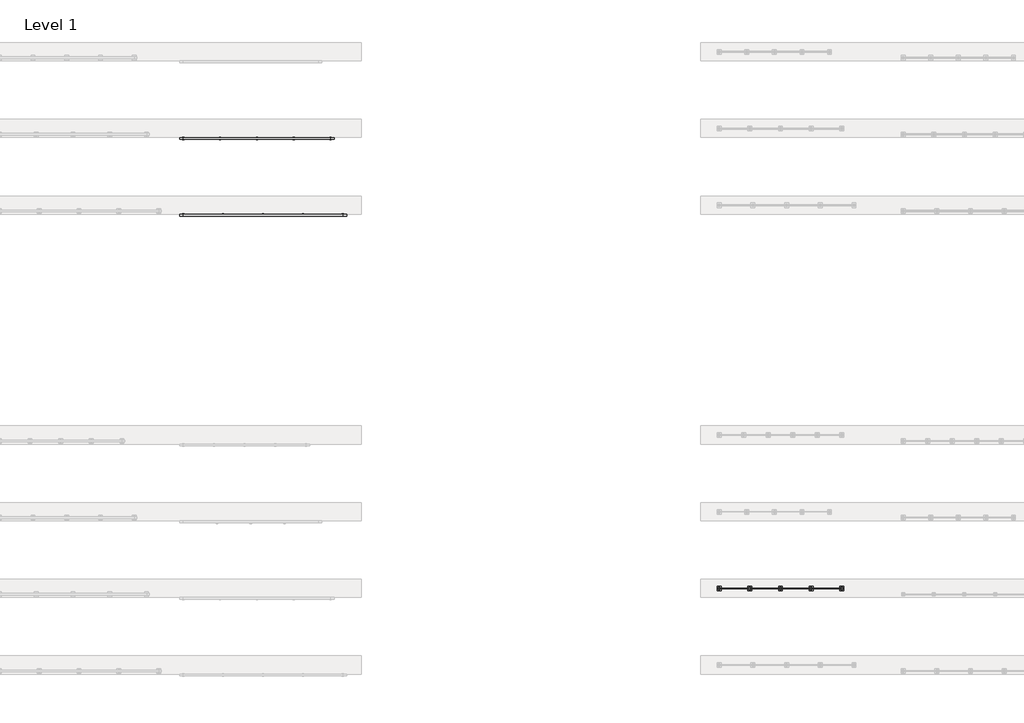
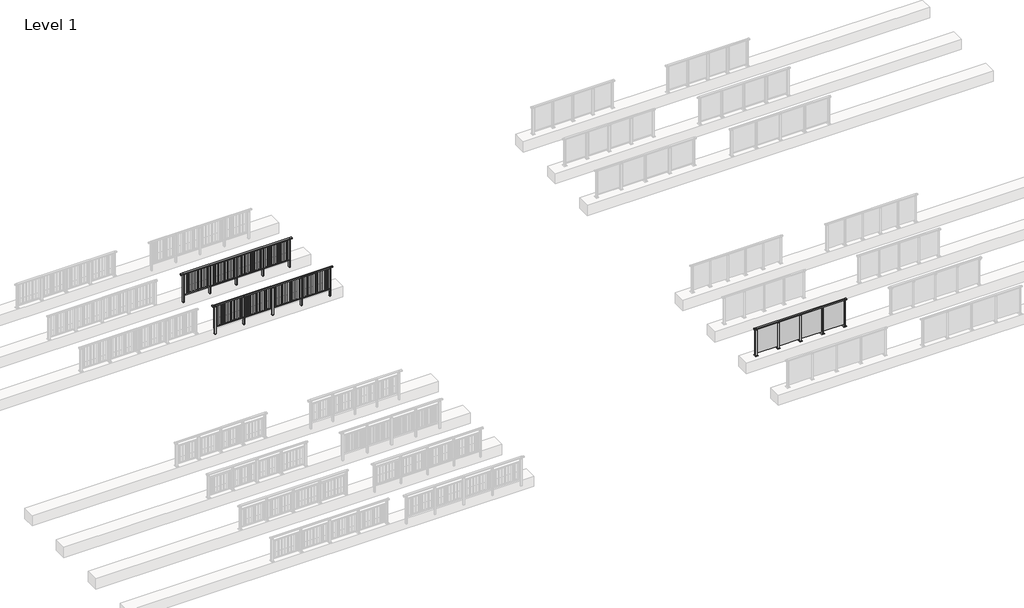
# One storey, part 28 of 38: 3 railings.
"""IFC4 building model written with IfcOpenShell, lengths in millimetres."""

from ifc_helpers import new_model, si_unit, frame, origin, origin_with_axes, place, context, project, spatial, polyline, outline, extrude, faceted_brep, element, save

model = new_model("IFC4")

# Units and contexts
model_context = context("Model", 3, world=origin())
ifc_project = project(units=[si_unit("LENGTHUNIT", "METRE", prefix="MILLI")], contexts=[model_context])

# Site, building, storey
site = spatial("IfcSite", under=ifc_project)
building = spatial("IfcBuilding", under=site)
storey = spatial("IfcBuildingStorey", under=building, Name="Level 1", Elevation=0.0)

# Railings
placement = place(None, origin())
element("IfcRailing", 1, at=placement, inside=storey, context=model_context, shape_type="SolidModel", body=[
    faceted_brep([(29388.6884576, 32720.1846828, 1300.0), (29388.6884576, 32720.1846828, 1252.5), (29388.6884576, 32660.1846828, 1252.5), (29388.6884576, 32660.1846828, 1300.0), (29476.1884576, 32720.1846828, 1300.0), (29476.1884576, 32720.1846828, 1252.5), (29476.1884576, 32660.1846828, 1252.5), (29476.1884576, 32660.1846828, 1300.0), (33476.1884576, 32720.1846828, 1300.0), (33476.1884576, 32720.1846828, 1252.5), (33476.1884576, 32660.1846828, 1252.5), (33476.1884576, 32660.1846828, 1300.0), (33563.6884576, 32720.1846828, 1300.0), (33563.6884576, 32660.1846828, 1300.0), (33563.6884576, 32660.1846828, 1252.5), (33563.6884576, 32720.1846828, 1252.5)], [[[0, 1, 2, 3]], [[1, 0, 4, 5]], [[2, 1, 5, 6]], [[3, 2, 6, 7]], [[0, 3, 7, 4]], [[5, 4, 8, 9]], [[6, 5, 9, 10]], [[7, 6, 10, 11]], [[4, 7, 11, 8]], [[12, 13, 14, 15]], [[9, 8, 12, 15]], [[10, 9, 15, 14]], [[11, 10, 14, 13]], [[8, 11, 13, 12]]]),
    extrude(outline(polyline([(32486.1884576, 32691.9598727), (33466.1884576, 32691.9598727), (33466.1884576, 32679.9598727), (32486.1884576, 32679.9598727), (32486.1884576, 32691.9598727)])), frame((0.0, 0.0, 95.0), z_axis=(0.0, 0.0, 1.0), x_axis=(1.0, 0.0, 0.0)), (0.0, 0.0, 1.0), 1170.0),
    extrude(outline(polyline([(32503.1884576, 32651.1846828), (32449.1884576, 32651.1846828), (32449.1884576, 32729.1846828), (32503.1884576, 32729.1846828), (32503.1884576, 32651.1846828)])), frame((0.0, 0.0, 12.0), z_axis=(0.0, 0.0, 1.0), x_axis=(1.0, 0.0, 0.0)), (0.0, 0.0, 1.0), 1215.0),
    extrude(outline(polyline([(32486.1884576, 32680.1846828), (32466.1884576, 32680.1846828), (32466.1884576, 32700.1846828), (32486.1884576, 32700.1846828), (32486.1884576, 32680.1846828)])), frame((0.0, 0.0, 1235.0), z_axis=(0.0, 0.0, 1.0), x_axis=(1.0, 0.0, 0.0)), (0.0, 0.0, 1.0), 20.0),
    extrude(outline(polyline([(32503.1884576, 32651.1846828), (32449.1884576, 32651.1846828), (32449.1884576, 32729.1846828), (32503.1884576, 32729.1846828), (32503.1884576, 32651.1846828)])), frame((0.0, 0.0, 1227.0), z_axis=(0.0, 0.0, 1.0), x_axis=(1.0, 0.0, 0.0)), (0.0, 0.0, 1.0), 8.0),
    extrude(outline(polyline([(32538.6884576, 32615.1846828), (32413.6884576, 32615.1846828), (32413.6884576, 32765.1846828), (32538.6884576, 32765.1846828), (32538.6884576, 32615.1846828)])), origin_with_axes(), (0.0, 0.0, 1.0), 12.0),
    extrude(outline(polyline([(31486.1884576, 32691.9598727), (32466.1884576, 32691.9598727), (32466.1884576, 32679.9598727), (31486.1884576, 32679.9598727), (31486.1884576, 32691.9598727)])), frame((0.0, 0.0, 95.0), z_axis=(0.0, 0.0, 1.0), x_axis=(1.0, 0.0, 0.0)), (0.0, 0.0, 1.0), 1170.0),
    extrude(outline(polyline([(31503.1884576, 32651.1846828), (31449.1884576, 32651.1846828), (31449.1884576, 32729.1846828), (31503.1884576, 32729.1846828), (31503.1884576, 32651.1846828)])), frame((0.0, 0.0, 12.0), z_axis=(0.0, 0.0, 1.0), x_axis=(1.0, 0.0, 0.0)), (0.0, 0.0, 1.0), 1215.0),
    extrude(outline(polyline([(31486.1884576, 32680.1846828), (31466.1884576, 32680.1846828), (31466.1884576, 32700.1846828), (31486.1884576, 32700.1846828), (31486.1884576, 32680.1846828)])), frame((0.0, 0.0, 1235.0), z_axis=(0.0, 0.0, 1.0), x_axis=(1.0, 0.0, 0.0)), (0.0, 0.0, 1.0), 20.0),
    extrude(outline(polyline([(31503.1884576, 32651.1846828), (31449.1884576, 32651.1846828), (31449.1884576, 32729.1846828), (31503.1884576, 32729.1846828), (31503.1884576, 32651.1846828)])), frame((0.0, 0.0, 1227.0), z_axis=(0.0, 0.0, 1.0), x_axis=(1.0, 0.0, 0.0)), (0.0, 0.0, 1.0), 8.0),
    extrude(outline(polyline([(31538.6884576, 32615.1846828), (31413.6884576, 32615.1846828), (31413.6884576, 32765.1846828), (31538.6884576, 32765.1846828), (31538.6884576, 32615.1846828)])), origin_with_axes(), (0.0, 0.0, 1.0), 12.0),
    extrude(outline(polyline([(30486.1884576, 32691.9598727), (31466.1884576, 32691.9598727), (31466.1884576, 32679.9598727), (30486.1884576, 32679.9598727), (30486.1884576, 32691.9598727)])), frame((0.0, 0.0, 95.0), z_axis=(0.0, 0.0, 1.0), x_axis=(1.0, 0.0, 0.0)), (0.0, 0.0, 1.0), 1170.0),
    extrude(outline(polyline([(30503.1884576, 32651.1846828), (30449.1884576, 32651.1846828), (30449.1884576, 32729.1846828), (30503.1884576, 32729.1846828), (30503.1884576, 32651.1846828)])), frame((0.0, 0.0, 12.0), z_axis=(0.0, 0.0, 1.0), x_axis=(1.0, 0.0, 0.0)), (0.0, 0.0, 1.0), 1215.0),
    extrude(outline(polyline([(30486.1884576, 32680.1846828), (30466.1884576, 32680.1846828), (30466.1884576, 32700.1846828), (30486.1884576, 32700.1846828), (30486.1884576, 32680.1846828)])), frame((0.0, 0.0, 1235.0), z_axis=(0.0, 0.0, 1.0), x_axis=(1.0, 0.0, 0.0)), (0.0, 0.0, 1.0), 20.0),
    extrude(outline(polyline([(30503.1884576, 32651.1846828), (30449.1884576, 32651.1846828), (30449.1884576, 32729.1846828), (30503.1884576, 32729.1846828), (30503.1884576, 32651.1846828)])), frame((0.0, 0.0, 1227.0), z_axis=(0.0, 0.0, 1.0), x_axis=(1.0, 0.0, 0.0)), (0.0, 0.0, 1.0), 8.0),
    extrude(outline(polyline([(30538.6884576, 32615.1846828), (30413.6884576, 32615.1846828), (30413.6884576, 32765.1846828), (30538.6884576, 32765.1846828), (30538.6884576, 32615.1846828)])), origin_with_axes(), (0.0, 0.0, 1.0), 12.0),
    extrude(outline(polyline([(29486.1884576, 32691.9598727), (30466.1884576, 32691.9598727), (30466.1884576, 32679.9598727), (29486.1884576, 32679.9598727), (29486.1884576, 32691.9598727)])), frame((0.0, 0.0, 95.0), z_axis=(0.0, 0.0, 1.0), x_axis=(1.0, 0.0, 0.0)), (0.0, 0.0, 1.0), 1170.0),
    extrude(outline(polyline([(33503.1884576, 32651.1846828), (33449.1884576, 32651.1846828), (33449.1884576, 32729.1846828), (33503.1884576, 32729.1846828), (33503.1884576, 32651.1846828)])), frame((0.0, 0.0, 12.0), z_axis=(0.0, 0.0, 1.0), x_axis=(1.0, 0.0, 0.0)), (0.0, 0.0, 1.0), 1215.0),
    extrude(outline(polyline([(33486.1884576, 32680.1846828), (33466.1884576, 32680.1846828), (33466.1884576, 32700.1846828), (33486.1884576, 32700.1846828), (33486.1884576, 32680.1846828)])), frame((0.0, 0.0, 1235.0), z_axis=(0.0, 0.0, 1.0), x_axis=(1.0, 0.0, 0.0)), (0.0, 0.0, 1.0), 20.0),
    extrude(outline(polyline([(33503.1884576, 32651.1846828), (33449.1884576, 32651.1846828), (33449.1884576, 32729.1846828), (33503.1884576, 32729.1846828), (33503.1884576, 32651.1846828)])), frame((0.0, 0.0, 1227.0), z_axis=(0.0, 0.0, 1.0), x_axis=(1.0, 0.0, 0.0)), (0.0, 0.0, 1.0), 8.0),
    extrude(outline(polyline([(33538.6884576, 32615.1846828), (33413.6884576, 32615.1846828), (33413.6884576, 32765.1846828), (33538.6884576, 32765.1846828), (33538.6884576, 32615.1846828)])), origin_with_axes(), (0.0, 0.0, 1.0), 12.0),
    extrude(outline(polyline([(29503.1884576, 32651.1846828), (29449.1884576, 32651.1846828), (29449.1884576, 32729.1846828), (29503.1884576, 32729.1846828), (29503.1884576, 32651.1846828)])), frame((0.0, 0.0, 12.0), z_axis=(0.0, 0.0, 1.0), x_axis=(1.0, 0.0, 0.0)), (0.0, 0.0, 1.0), 1215.0),
    extrude(outline(polyline([(29486.1884576, 32680.1846828), (29466.1884576, 32680.1846828), (29466.1884576, 32700.1846828), (29486.1884576, 32700.1846828), (29486.1884576, 32680.1846828)])), frame((0.0, 0.0, 1235.0), z_axis=(0.0, 0.0, 1.0), x_axis=(1.0, 0.0, 0.0)), (0.0, 0.0, 1.0), 20.0),
    extrude(outline(polyline([(29503.1884576, 32651.1846828), (29449.1884576, 32651.1846828), (29449.1884576, 32729.1846828), (29503.1884576, 32729.1846828), (29503.1884576, 32651.1846828)])), frame((0.0, 0.0, 1227.0), z_axis=(0.0, 0.0, 1.0), x_axis=(1.0, 0.0, 0.0)), (0.0, 0.0, 1.0), 8.0),
    extrude(outline(polyline([(29538.6884576, 32615.1846828), (29413.6884576, 32615.1846828), (29413.6884576, 32765.1846828), (29538.6884576, 32765.1846828), (29538.6884576, 32615.1846828)])), origin_with_axes(), (0.0, 0.0, 1.0), 12.0),
])
element("IfcRailing", 2, at=placement, inside=storey, context=model_context, shape_type="SolidModel", body=[
    faceted_brep([(12000.0, 44897.6846828, 1102.5), (12000.0, 44897.6846828, 1150.0), (17200.0, 44897.6846828, 1150.0), (17200.0, 44897.6846828, 1102.5), (12000.0, 44837.6846828, 1102.5), (17200.0, 44837.6846828, 1102.5), (12000.0, 44837.6846828, 1150.0), (17200.0, 44837.6846828, 1150.0), (11877.0, 44897.6846828, 1150.0), (11877.0, 44897.6846828, 1102.5), (11877.0, 44837.6846828, 1102.5), (11877.0, 44837.6846828, 1150.0), (17323.0, 44897.6846828, 1150.0), (17323.0, 44837.6846828, 1150.0), (17323.0, 44837.6846828, 1102.5), (17323.0, 44897.6846828, 1102.5)], [[[0, 1, 2, 3]], [[4, 0, 3, 5]], [[6, 4, 5, 7]], [[1, 6, 7, 2]], [[8, 9, 10, 11]], [[9, 8, 1, 0]], [[10, 9, 0, 4]], [[11, 10, 4, 6]], [[8, 11, 6, 1]], [[12, 13, 14, 15]], [[3, 2, 12, 15]], [[5, 3, 15, 14]], [[7, 5, 14, 13]], [[2, 7, 13, 12]]]),
    extrude(outline(polyline([(12000.0, 44849.6846828), (12000.0, 44885.6846828), (17200.0, 44885.6846828), (17200.0, 44849.6846828), (12000.0, 44849.6846828)])), frame((0.0, 0.0, 93.0), z_axis=(0.0, 0.0, 1.0), x_axis=(1.0, 0.0, 0.0)), (0.0, 0.0, 1.0), 32.0),
    extrude(outline(polyline([(17078.5106952, 44859.1846828), (17029.5106952, 44859.1846828), (17029.5106952, 44876.1846828), (17078.5106952, 44876.1846828), (17078.5106952, 44859.1846828)])), frame((0.0, 0.0, 125.0), z_axis=(0.0, 0.0, 1.0), x_axis=(1.0, 0.0, 0.0)), (0.0, 0.0, 1.0), 980.0),
    extrude(outline(polyline([(16934.5076394, 44859.1846828), (16885.5076394, 44859.1846828), (16885.5076394, 44876.1846828), (16934.5076394, 44876.1846828), (16934.5076394, 44859.1846828)])), frame((0.0, 0.0, 125.0), z_axis=(0.0, 0.0, 1.0), x_axis=(1.0, 0.0, 0.0)), (0.0, 0.0, 1.0), 980.0),
    extrude(outline(polyline([(16790.5045837, 44859.1846828), (16741.5045837, 44859.1846828), (16741.5045837, 44876.1846828), (16790.5045837, 44876.1846828), (16790.5045837, 44859.1846828)])), frame((0.0, 0.0, 125.0), z_axis=(0.0, 0.0, 1.0), x_axis=(1.0, 0.0, 0.0)), (0.0, 0.0, 1.0), 980.0),
    extrude(outline(polyline([(16646.5015279, 44859.1846828), (16597.5015279, 44859.1846828), (16597.5015279, 44876.1846828), (16646.5015279, 44876.1846828), (16646.5015279, 44859.1846828)])), frame((0.0, 0.0, 125.0), z_axis=(0.0, 0.0, 1.0), x_axis=(1.0, 0.0, 0.0)), (0.0, 0.0, 1.0), 980.0),
    extrude(outline(polyline([(16502.4984721, 44859.1846828), (16453.4984721, 44859.1846828), (16453.4984721, 44876.1846828), (16502.4984721, 44876.1846828), (16502.4984721, 44859.1846828)])), frame((0.0, 0.0, 125.0), z_axis=(0.0, 0.0, 1.0), x_axis=(1.0, 0.0, 0.0)), (0.0, 0.0, 1.0), 980.0),
    extrude(outline(polyline([(16358.4954163, 44859.1846828), (16309.4954163, 44859.1846828), (16309.4954163, 44876.1846828), (16358.4954163, 44876.1846828), (16358.4954163, 44859.1846828)])), frame((0.0, 0.0, 125.0), z_axis=(0.0, 0.0, 1.0), x_axis=(1.0, 0.0, 0.0)), (0.0, 0.0, 1.0), 980.0),
    extrude(outline(polyline([(16214.4923606, 44859.1846828), (16165.4923606, 44859.1846828), (16165.4923606, 44876.1846828), (16214.4923606, 44876.1846828), (16214.4923606, 44859.1846828)])), frame((0.0, 0.0, 125.0), z_axis=(0.0, 0.0, 1.0), x_axis=(1.0, 0.0, 0.0)), (0.0, 0.0, 1.0), 980.0),
    extrude(outline(polyline([(16070.4893048, 44859.1846828), (16021.4893048, 44859.1846828), (16021.4893048, 44876.1846828), (16070.4893048, 44876.1846828), (16070.4893048, 44859.1846828)])), frame((0.0, 0.0, 125.0), z_axis=(0.0, 0.0, 1.0), x_axis=(1.0, 0.0, 0.0)), (0.0, 0.0, 1.0), 980.0),
    extrude(outline(polyline([(15927.0, 44906.6846828), (15927.0, 44828.6846828), (15873.0, 44828.6846828), (15873.0, 44906.6846828), (15927.0, 44906.6846828)])), frame((0.0, 0.0, 1077.0), z_axis=(0.0, 0.0, 1.0), x_axis=(1.0, 0.0, 0.0)), (0.0, 0.0, 1.0), 8.0),
    extrude(outline(polyline([(15927.0, 44906.6846828), (15927.0, 44828.6846828), (15873.0, 44828.6846828), (15873.0, 44906.6846828), (15927.0, 44906.6846828)])), frame((0.0, 0.0, -212.0), z_axis=(0.0, 0.0, 1.0), x_axis=(1.0, 0.0, 0.0)), (0.0, 0.0, 1.0), 1289.0),
    extrude(outline(polyline([(15910.0, 44877.6846828), (15910.0, 44857.6846828), (15890.0, 44857.6846828), (15890.0, 44877.6846828), (15910.0, 44877.6846828)])), frame((0.0, 0.0, 1085.0), z_axis=(0.0, 0.0, 1.0), x_axis=(1.0, 0.0, 0.0)), (0.0, 0.0, 1.0), 20.0),
    extrude(outline(polyline([(15927.0, 44906.6846828), (15927.0, 44828.6846828), (15873.0, 44828.6846828), (15873.0, 44906.6846828), (15927.0, 44906.6846828)])), frame((0.0, 0.0, -220.0), z_axis=(0.0, 0.0, 1.0), x_axis=(1.0, 0.0, 0.0)), (0.0, 0.0, 1.0), 8.0),
    extrude(outline(polyline([(15778.5106952, 44859.1846828), (15729.5106952, 44859.1846828), (15729.5106952, 44876.1846828), (15778.5106952, 44876.1846828), (15778.5106952, 44859.1846828)])), frame((0.0, 0.0, 125.0), z_axis=(0.0, 0.0, 1.0), x_axis=(1.0, 0.0, 0.0)), (0.0, 0.0, 1.0), 980.0),
    extrude(outline(polyline([(15634.5076394, 44859.1846828), (15585.5076394, 44859.1846828), (15585.5076394, 44876.1846828), (15634.5076394, 44876.1846828), (15634.5076394, 44859.1846828)])), frame((0.0, 0.0, 125.0), z_axis=(0.0, 0.0, 1.0), x_axis=(1.0, 0.0, 0.0)), (0.0, 0.0, 1.0), 980.0),
    extrude(outline(polyline([(15490.5045837, 44859.1846828), (15441.5045837, 44859.1846828), (15441.5045837, 44876.1846828), (15490.5045837, 44876.1846828), (15490.5045837, 44859.1846828)])), frame((0.0, 0.0, 125.0), z_axis=(0.0, 0.0, 1.0), x_axis=(1.0, 0.0, 0.0)), (0.0, 0.0, 1.0), 980.0),
    extrude(outline(polyline([(15346.5015279, 44859.1846828), (15297.5015279, 44859.1846828), (15297.5015279, 44876.1846828), (15346.5015279, 44876.1846828), (15346.5015279, 44859.1846828)])), frame((0.0, 0.0, 125.0), z_axis=(0.0, 0.0, 1.0), x_axis=(1.0, 0.0, 0.0)), (0.0, 0.0, 1.0), 980.0),
    extrude(outline(polyline([(15202.4984721, 44859.1846828), (15153.4984721, 44859.1846828), (15153.4984721, 44876.1846828), (15202.4984721, 44876.1846828), (15202.4984721, 44859.1846828)])), frame((0.0, 0.0, 125.0), z_axis=(0.0, 0.0, 1.0), x_axis=(1.0, 0.0, 0.0)), (0.0, 0.0, 1.0), 980.0),
    extrude(outline(polyline([(15058.4954163, 44859.1846828), (15009.4954163, 44859.1846828), (15009.4954163, 44876.1846828), (15058.4954163, 44876.1846828), (15058.4954163, 44859.1846828)])), frame((0.0, 0.0, 125.0), z_axis=(0.0, 0.0, 1.0), x_axis=(1.0, 0.0, 0.0)), (0.0, 0.0, 1.0), 980.0),
    extrude(outline(polyline([(14914.4923606, 44859.1846828), (14865.4923606, 44859.1846828), (14865.4923606, 44876.1846828), (14914.4923606, 44876.1846828), (14914.4923606, 44859.1846828)])), frame((0.0, 0.0, 125.0), z_axis=(0.0, 0.0, 1.0), x_axis=(1.0, 0.0, 0.0)), (0.0, 0.0, 1.0), 980.0),
    extrude(outline(polyline([(14770.4893048, 44859.1846828), (14721.4893048, 44859.1846828), (14721.4893048, 44876.1846828), (14770.4893048, 44876.1846828), (14770.4893048, 44859.1846828)])), frame((0.0, 0.0, 125.0), z_axis=(0.0, 0.0, 1.0), x_axis=(1.0, 0.0, 0.0)), (0.0, 0.0, 1.0), 980.0),
    extrude(outline(polyline([(14627.0, 44906.6846828), (14627.0, 44828.6846828), (14573.0, 44828.6846828), (14573.0, 44906.6846828), (14627.0, 44906.6846828)])), frame((0.0, 0.0, 1077.0), z_axis=(0.0, 0.0, 1.0), x_axis=(1.0, 0.0, 0.0)), (0.0, 0.0, 1.0), 8.0),
    extrude(outline(polyline([(14627.0, 44906.6846828), (14627.0, 44828.6846828), (14573.0, 44828.6846828), (14573.0, 44906.6846828), (14627.0, 44906.6846828)])), frame((0.0, 0.0, -212.0), z_axis=(0.0, 0.0, 1.0), x_axis=(1.0, 0.0, 0.0)), (0.0, 0.0, 1.0), 1289.0),
    extrude(outline(polyline([(14610.0, 44877.6846828), (14610.0, 44857.6846828), (14590.0, 44857.6846828), (14590.0, 44877.6846828), (14610.0, 44877.6846828)])), frame((0.0, 0.0, 1085.0), z_axis=(0.0, 0.0, 1.0), x_axis=(1.0, 0.0, 0.0)), (0.0, 0.0, 1.0), 20.0),
    extrude(outline(polyline([(14627.0, 44906.6846828), (14627.0, 44828.6846828), (14573.0, 44828.6846828), (14573.0, 44906.6846828), (14627.0, 44906.6846828)])), frame((0.0, 0.0, -220.0), z_axis=(0.0, 0.0, 1.0), x_axis=(1.0, 0.0, 0.0)), (0.0, 0.0, 1.0), 8.0),
    extrude(outline(polyline([(14478.5106952, 44859.1846828), (14429.5106952, 44859.1846828), (14429.5106952, 44876.1846828), (14478.5106952, 44876.1846828), (14478.5106952, 44859.1846828)])), frame((0.0, 0.0, 125.0), z_axis=(0.0, 0.0, 1.0), x_axis=(1.0, 0.0, 0.0)), (0.0, 0.0, 1.0), 980.0),
    extrude(outline(polyline([(14334.5076394, 44859.1846828), (14285.5076394, 44859.1846828), (14285.5076394, 44876.1846828), (14334.5076394, 44876.1846828), (14334.5076394, 44859.1846828)])), frame((0.0, 0.0, 125.0), z_axis=(0.0, 0.0, 1.0), x_axis=(1.0, 0.0, 0.0)), (0.0, 0.0, 1.0), 980.0),
    extrude(outline(polyline([(14190.5045837, 44859.1846828), (14141.5045837, 44859.1846828), (14141.5045837, 44876.1846828), (14190.5045837, 44876.1846828), (14190.5045837, 44859.1846828)])), frame((0.0, 0.0, 125.0), z_axis=(0.0, 0.0, 1.0), x_axis=(1.0, 0.0, 0.0)), (0.0, 0.0, 1.0), 980.0),
    extrude(outline(polyline([(14046.5015279, 44859.1846828), (13997.5015279, 44859.1846828), (13997.5015279, 44876.1846828), (14046.5015279, 44876.1846828), (14046.5015279, 44859.1846828)])), frame((0.0, 0.0, 125.0), z_axis=(0.0, 0.0, 1.0), x_axis=(1.0, 0.0, 0.0)), (0.0, 0.0, 1.0), 980.0),
    extrude(outline(polyline([(13902.4984721, 44859.1846828), (13853.4984721, 44859.1846828), (13853.4984721, 44876.1846828), (13902.4984721, 44876.1846828), (13902.4984721, 44859.1846828)])), frame((0.0, 0.0, 125.0), z_axis=(0.0, 0.0, 1.0), x_axis=(1.0, 0.0, 0.0)), (0.0, 0.0, 1.0), 980.0),
    extrude(outline(polyline([(13758.4954163, 44859.1846828), (13709.4954163, 44859.1846828), (13709.4954163, 44876.1846828), (13758.4954163, 44876.1846828), (13758.4954163, 44859.1846828)])), frame((0.0, 0.0, 125.0), z_axis=(0.0, 0.0, 1.0), x_axis=(1.0, 0.0, 0.0)), (0.0, 0.0, 1.0), 980.0),
    extrude(outline(polyline([(13614.4923606, 44859.1846828), (13565.4923606, 44859.1846828), (13565.4923606, 44876.1846828), (13614.4923606, 44876.1846828), (13614.4923606, 44859.1846828)])), frame((0.0, 0.0, 125.0), z_axis=(0.0, 0.0, 1.0), x_axis=(1.0, 0.0, 0.0)), (0.0, 0.0, 1.0), 980.0),
    extrude(outline(polyline([(13470.4893048, 44859.1846828), (13421.4893048, 44859.1846828), (13421.4893048, 44876.1846828), (13470.4893048, 44876.1846828), (13470.4893048, 44859.1846828)])), frame((0.0, 0.0, 125.0), z_axis=(0.0, 0.0, 1.0), x_axis=(1.0, 0.0, 0.0)), (0.0, 0.0, 1.0), 980.0),
    extrude(outline(polyline([(13327.0, 44906.6846828), (13327.0, 44828.6846828), (13273.0, 44828.6846828), (13273.0, 44906.6846828), (13327.0, 44906.6846828)])), frame((0.0, 0.0, 1077.0), z_axis=(0.0, 0.0, 1.0), x_axis=(1.0, 0.0, 0.0)), (0.0, 0.0, 1.0), 8.0),
    extrude(outline(polyline([(13327.0, 44906.6846828), (13327.0, 44828.6846828), (13273.0, 44828.6846828), (13273.0, 44906.6846828), (13327.0, 44906.6846828)])), frame((0.0, 0.0, -212.0), z_axis=(0.0, 0.0, 1.0), x_axis=(1.0, 0.0, 0.0)), (0.0, 0.0, 1.0), 1289.0),
    extrude(outline(polyline([(13310.0, 44877.6846828), (13310.0, 44857.6846828), (13290.0, 44857.6846828), (13290.0, 44877.6846828), (13310.0, 44877.6846828)])), frame((0.0, 0.0, 1085.0), z_axis=(0.0, 0.0, 1.0), x_axis=(1.0, 0.0, 0.0)), (0.0, 0.0, 1.0), 20.0),
    extrude(outline(polyline([(13327.0, 44906.6846828), (13327.0, 44828.6846828), (13273.0, 44828.6846828), (13273.0, 44906.6846828), (13327.0, 44906.6846828)])), frame((0.0, 0.0, -220.0), z_axis=(0.0, 0.0, 1.0), x_axis=(1.0, 0.0, 0.0)), (0.0, 0.0, 1.0), 8.0),
    extrude(outline(polyline([(13178.5106952, 44859.1846828), (13129.5106952, 44859.1846828), (13129.5106952, 44876.1846828), (13178.5106952, 44876.1846828), (13178.5106952, 44859.1846828)])), frame((0.0, 0.0, 125.0), z_axis=(0.0, 0.0, 1.0), x_axis=(1.0, 0.0, 0.0)), (0.0, 0.0, 1.0), 980.0),
    extrude(outline(polyline([(13034.5076394, 44859.1846828), (12985.5076394, 44859.1846828), (12985.5076394, 44876.1846828), (13034.5076394, 44876.1846828), (13034.5076394, 44859.1846828)])), frame((0.0, 0.0, 125.0), z_axis=(0.0, 0.0, 1.0), x_axis=(1.0, 0.0, 0.0)), (0.0, 0.0, 1.0), 980.0),
    extrude(outline(polyline([(12890.5045837, 44859.1846828), (12841.5045837, 44859.1846828), (12841.5045837, 44876.1846828), (12890.5045837, 44876.1846828), (12890.5045837, 44859.1846828)])), frame((0.0, 0.0, 125.0), z_axis=(0.0, 0.0, 1.0), x_axis=(1.0, 0.0, 0.0)), (0.0, 0.0, 1.0), 980.0),
    extrude(outline(polyline([(12746.5015279, 44859.1846828), (12697.5015279, 44859.1846828), (12697.5015279, 44876.1846828), (12746.5015279, 44876.1846828), (12746.5015279, 44859.1846828)])), frame((0.0, 0.0, 125.0), z_axis=(0.0, 0.0, 1.0), x_axis=(1.0, 0.0, 0.0)), (0.0, 0.0, 1.0), 980.0),
    extrude(outline(polyline([(12602.4984721, 44859.1846828), (12553.4984721, 44859.1846828), (12553.4984721, 44876.1846828), (12602.4984721, 44876.1846828), (12602.4984721, 44859.1846828)])), frame((0.0, 0.0, 125.0), z_axis=(0.0, 0.0, 1.0), x_axis=(1.0, 0.0, 0.0)), (0.0, 0.0, 1.0), 980.0),
    extrude(outline(polyline([(12458.4954163, 44859.1846828), (12409.4954163, 44859.1846828), (12409.4954163, 44876.1846828), (12458.4954163, 44876.1846828), (12458.4954163, 44859.1846828)])), frame((0.0, 0.0, 125.0), z_axis=(0.0, 0.0, 1.0), x_axis=(1.0, 0.0, 0.0)), (0.0, 0.0, 1.0), 980.0),
    extrude(outline(polyline([(12314.4923606, 44859.1846828), (12265.4923606, 44859.1846828), (12265.4923606, 44876.1846828), (12314.4923606, 44876.1846828), (12314.4923606, 44859.1846828)])), frame((0.0, 0.0, 125.0), z_axis=(0.0, 0.0, 1.0), x_axis=(1.0, 0.0, 0.0)), (0.0, 0.0, 1.0), 980.0),
    extrude(outline(polyline([(12170.4893048, 44859.1846828), (12121.4893048, 44859.1846828), (12121.4893048, 44876.1846828), (12170.4893048, 44876.1846828), (12170.4893048, 44859.1846828)])), frame((0.0, 0.0, 125.0), z_axis=(0.0, 0.0, 1.0), x_axis=(1.0, 0.0, 0.0)), (0.0, 0.0, 1.0), 980.0),
    extrude(outline(polyline([(17227.0, 44906.6846828), (17227.0, 44828.6846828), (17173.0, 44828.6846828), (17173.0, 44906.6846828), (17227.0, 44906.6846828)])), frame((0.0, 0.0, 1077.0), z_axis=(0.0, 0.0, 1.0), x_axis=(1.0, 0.0, 0.0)), (0.0, 0.0, 1.0), 8.0),
    extrude(outline(polyline([(17227.0, 44906.6846828), (17227.0, 44828.6846828), (17173.0, 44828.6846828), (17173.0, 44906.6846828), (17227.0, 44906.6846828)])), frame((0.0, 0.0, -212.0), z_axis=(0.0, 0.0, 1.0), x_axis=(1.0, 0.0, 0.0)), (0.0, 0.0, 1.0), 1289.0),
    extrude(outline(polyline([(17210.0, 44877.6846828), (17210.0, 44857.6846828), (17190.0, 44857.6846828), (17190.0, 44877.6846828), (17210.0, 44877.6846828)])), frame((0.0, 0.0, 1085.0), z_axis=(0.0, 0.0, 1.0), x_axis=(1.0, 0.0, 0.0)), (0.0, 0.0, 1.0), 20.0),
    extrude(outline(polyline([(17227.0, 44906.6846828), (17227.0, 44828.6846828), (17173.0, 44828.6846828), (17173.0, 44906.6846828), (17227.0, 44906.6846828)])), frame((0.0, 0.0, -220.0), z_axis=(0.0, 0.0, 1.0), x_axis=(1.0, 0.0, 0.0)), (0.0, 0.0, 1.0), 8.0),
    extrude(outline(polyline([(12027.0, 44906.6846828), (12027.0, 44828.6846828), (11973.0, 44828.6846828), (11973.0, 44906.6846828), (12027.0, 44906.6846828)])), frame((0.0, 0.0, 1077.0), z_axis=(0.0, 0.0, 1.0), x_axis=(1.0, 0.0, 0.0)), (0.0, 0.0, 1.0), 8.0),
    extrude(outline(polyline([(12027.0, 44906.6846828), (12027.0, 44828.6846828), (11973.0, 44828.6846828), (11973.0, 44906.6846828), (12027.0, 44906.6846828)])), frame((0.0, 0.0, -212.0), z_axis=(0.0, 0.0, 1.0), x_axis=(1.0, 0.0, 0.0)), (0.0, 0.0, 1.0), 1289.0),
    extrude(outline(polyline([(12010.0, 44877.6846828), (12010.0, 44857.6846828), (11990.0, 44857.6846828), (11990.0, 44877.6846828), (12010.0, 44877.6846828)])), frame((0.0, 0.0, 1085.0), z_axis=(0.0, 0.0, 1.0), x_axis=(1.0, 0.0, 0.0)), (0.0, 0.0, 1.0), 20.0),
    extrude(outline(polyline([(12027.0, 44906.6846828), (12027.0, 44828.6846828), (11973.0, 44828.6846828), (11973.0, 44906.6846828), (12027.0, 44906.6846828)])), frame((0.0, 0.0, -220.0), z_axis=(0.0, 0.0, 1.0), x_axis=(1.0, 0.0, 0.0)), (0.0, 0.0, 1.0), 8.0),
])
element("IfcRailing", 3, at=placement, inside=storey, context=model_context, shape_type="SolidModel", body=[
    faceted_brep([(12000.0, 47397.6846828, 1102.5), (12000.0, 47397.6846828, 1150.0), (16800.0, 47397.6846828, 1150.0), (16800.0, 47397.6846828, 1102.5), (12000.0, 47337.6846828, 1102.5), (16800.0, 47337.6846828, 1102.5), (12000.0, 47337.6846828, 1150.0), (16800.0, 47337.6846828, 1150.0), (11877.0, 47397.6846828, 1150.0), (11877.0, 47397.6846828, 1102.5), (11877.0, 47337.6846828, 1102.5), (11877.0, 47337.6846828, 1150.0), (16923.0, 47397.6846828, 1150.0), (16923.0, 47337.6846828, 1150.0), (16923.0, 47337.6846828, 1102.5), (16923.0, 47397.6846828, 1102.5)], [[[0, 1, 2, 3]], [[4, 0, 3, 5]], [[6, 4, 5, 7]], [[1, 6, 7, 2]], [[8, 9, 10, 11]], [[9, 8, 1, 0]], [[10, 9, 0, 4]], [[11, 10, 4, 6]], [[8, 11, 6, 1]], [[12, 13, 14, 15]], [[3, 2, 12, 15]], [[5, 3, 15, 14]], [[7, 5, 14, 13]], [[2, 7, 13, 12]]]),
    extrude(outline(polyline([(12000.0, 47349.6846828), (12000.0, 47385.6846828), (16800.0, 47385.6846828), (16800.0, 47349.6846828), (12000.0, 47349.6846828)])), frame((0.0, 0.0, 93.0), z_axis=(0.0, 0.0, 1.0), x_axis=(1.0, 0.0, 0.0)), (0.0, 0.0, 1.0), 32.0),
    extrude(outline(polyline([(16725.7345679, 47359.1846828), (16676.7345679, 47359.1846828), (16676.7345679, 47376.1846828), (16725.7345679, 47376.1846828), (16725.7345679, 47359.1846828)])), frame((0.0, 0.0, 125.0), z_axis=(0.0, 0.0, 1.0), x_axis=(1.0, 0.0, 0.0)), (0.0, 0.0, 1.0), 980.0),
    extrude(outline(polyline([(16582.5246914, 47359.1846828), (16533.5246914, 47359.1846828), (16533.5246914, 47376.1846828), (16582.5246914, 47376.1846828), (16582.5246914, 47359.1846828)])), frame((0.0, 0.0, 125.0), z_axis=(0.0, 0.0, 1.0), x_axis=(1.0, 0.0, 0.0)), (0.0, 0.0, 1.0), 980.0),
    extrude(outline(polyline([(16439.3148148, 47359.1846828), (16390.3148148, 47359.1846828), (16390.3148148, 47376.1846828), (16439.3148148, 47376.1846828), (16439.3148148, 47359.1846828)])), frame((0.0, 0.0, 125.0), z_axis=(0.0, 0.0, 1.0), x_axis=(1.0, 0.0, 0.0)), (0.0, 0.0, 1.0), 980.0),
    extrude(outline(polyline([(16296.1049383, 47359.1846828), (16247.1049383, 47359.1846828), (16247.1049383, 47376.1846828), (16296.1049383, 47376.1846828), (16296.1049383, 47359.1846828)])), frame((0.0, 0.0, 125.0), z_axis=(0.0, 0.0, 1.0), x_axis=(1.0, 0.0, 0.0)), (0.0, 0.0, 1.0), 980.0),
    extrude(outline(polyline([(16152.8950617, 47359.1846828), (16103.8950617, 47359.1846828), (16103.8950617, 47376.1846828), (16152.8950617, 47376.1846828), (16152.8950617, 47359.1846828)])), frame((0.0, 0.0, 125.0), z_axis=(0.0, 0.0, 1.0), x_axis=(1.0, 0.0, 0.0)), (0.0, 0.0, 1.0), 980.0),
    extrude(outline(polyline([(16009.6851852, 47359.1846828), (15960.6851852, 47359.1846828), (15960.6851852, 47376.1846828), (16009.6851852, 47376.1846828), (16009.6851852, 47359.1846828)])), frame((0.0, 0.0, 125.0), z_axis=(0.0, 0.0, 1.0), x_axis=(1.0, 0.0, 0.0)), (0.0, 0.0, 1.0), 980.0),
    extrude(outline(polyline([(15866.4753086, 47359.1846828), (15817.4753086, 47359.1846828), (15817.4753086, 47376.1846828), (15866.4753086, 47376.1846828), (15866.4753086, 47359.1846828)])), frame((0.0, 0.0, 125.0), z_axis=(0.0, 0.0, 1.0), x_axis=(1.0, 0.0, 0.0)), (0.0, 0.0, 1.0), 980.0),
    extrude(outline(polyline([(15723.2654321, 47359.1846828), (15674.2654321, 47359.1846828), (15674.2654321, 47376.1846828), (15723.2654321, 47376.1846828), (15723.2654321, 47359.1846828)])), frame((0.0, 0.0, 125.0), z_axis=(0.0, 0.0, 1.0), x_axis=(1.0, 0.0, 0.0)), (0.0, 0.0, 1.0), 980.0),
    extrude(outline(polyline([(15627.0, 47406.6846828), (15627.0, 47328.6846828), (15573.0, 47328.6846828), (15573.0, 47406.6846828), (15627.0, 47406.6846828)])), frame((0.0, 0.0, 1077.0), z_axis=(0.0, 0.0, 1.0), x_axis=(1.0, 0.0, 0.0)), (0.0, 0.0, 1.0), 8.0),
    extrude(outline(polyline([(15627.0, 47406.6846828), (15627.0, 47328.6846828), (15573.0, 47328.6846828), (15573.0, 47406.6846828), (15627.0, 47406.6846828)])), frame((0.0, 0.0, -212.0), z_axis=(0.0, 0.0, 1.0), x_axis=(1.0, 0.0, 0.0)), (0.0, 0.0, 1.0), 1289.0),
    extrude(outline(polyline([(15610.0, 47377.6846828), (15610.0, 47357.6846828), (15590.0, 47357.6846828), (15590.0, 47377.6846828), (15610.0, 47377.6846828)])), frame((0.0, 0.0, 1085.0), z_axis=(0.0, 0.0, 1.0), x_axis=(1.0, 0.0, 0.0)), (0.0, 0.0, 1.0), 20.0),
    extrude(outline(polyline([(15627.0, 47406.6846828), (15627.0, 47328.6846828), (15573.0, 47328.6846828), (15573.0, 47406.6846828), (15627.0, 47406.6846828)])), frame((0.0, 0.0, -220.0), z_axis=(0.0, 0.0, 1.0), x_axis=(1.0, 0.0, 0.0)), (0.0, 0.0, 1.0), 8.0),
    extrude(outline(polyline([(15525.7345679, 47359.1846828), (15476.7345679, 47359.1846828), (15476.7345679, 47376.1846828), (15525.7345679, 47376.1846828), (15525.7345679, 47359.1846828)])), frame((0.0, 0.0, 125.0), z_axis=(0.0, 0.0, 1.0), x_axis=(1.0, 0.0, 0.0)), (0.0, 0.0, 1.0), 980.0),
    extrude(outline(polyline([(15382.5246914, 47359.1846828), (15333.5246914, 47359.1846828), (15333.5246914, 47376.1846828), (15382.5246914, 47376.1846828), (15382.5246914, 47359.1846828)])), frame((0.0, 0.0, 125.0), z_axis=(0.0, 0.0, 1.0), x_axis=(1.0, 0.0, 0.0)), (0.0, 0.0, 1.0), 980.0),
    extrude(outline(polyline([(15239.3148148, 47359.1846828), (15190.3148148, 47359.1846828), (15190.3148148, 47376.1846828), (15239.3148148, 47376.1846828), (15239.3148148, 47359.1846828)])), frame((0.0, 0.0, 125.0), z_axis=(0.0, 0.0, 1.0), x_axis=(1.0, 0.0, 0.0)), (0.0, 0.0, 1.0), 980.0),
    extrude(outline(polyline([(15096.1049383, 47359.1846828), (15047.1049383, 47359.1846828), (15047.1049383, 47376.1846828), (15096.1049383, 47376.1846828), (15096.1049383, 47359.1846828)])), frame((0.0, 0.0, 125.0), z_axis=(0.0, 0.0, 1.0), x_axis=(1.0, 0.0, 0.0)), (0.0, 0.0, 1.0), 980.0),
    extrude(outline(polyline([(14952.8950617, 47359.1846828), (14903.8950617, 47359.1846828), (14903.8950617, 47376.1846828), (14952.8950617, 47376.1846828), (14952.8950617, 47359.1846828)])), frame((0.0, 0.0, 125.0), z_axis=(0.0, 0.0, 1.0), x_axis=(1.0, 0.0, 0.0)), (0.0, 0.0, 1.0), 980.0),
    extrude(outline(polyline([(14809.6851852, 47359.1846828), (14760.6851852, 47359.1846828), (14760.6851852, 47376.1846828), (14809.6851852, 47376.1846828), (14809.6851852, 47359.1846828)])), frame((0.0, 0.0, 125.0), z_axis=(0.0, 0.0, 1.0), x_axis=(1.0, 0.0, 0.0)), (0.0, 0.0, 1.0), 980.0),
    extrude(outline(polyline([(14666.4753086, 47359.1846828), (14617.4753086, 47359.1846828), (14617.4753086, 47376.1846828), (14666.4753086, 47376.1846828), (14666.4753086, 47359.1846828)])), frame((0.0, 0.0, 125.0), z_axis=(0.0, 0.0, 1.0), x_axis=(1.0, 0.0, 0.0)), (0.0, 0.0, 1.0), 980.0),
    extrude(outline(polyline([(14523.2654321, 47359.1846828), (14474.2654321, 47359.1846828), (14474.2654321, 47376.1846828), (14523.2654321, 47376.1846828), (14523.2654321, 47359.1846828)])), frame((0.0, 0.0, 125.0), z_axis=(0.0, 0.0, 1.0), x_axis=(1.0, 0.0, 0.0)), (0.0, 0.0, 1.0), 980.0),
    extrude(outline(polyline([(14427.0, 47406.6846828), (14427.0, 47328.6846828), (14373.0, 47328.6846828), (14373.0, 47406.6846828), (14427.0, 47406.6846828)])), frame((0.0, 0.0, 1077.0), z_axis=(0.0, 0.0, 1.0), x_axis=(1.0, 0.0, 0.0)), (0.0, 0.0, 1.0), 8.0),
    extrude(outline(polyline([(14427.0, 47406.6846828), (14427.0, 47328.6846828), (14373.0, 47328.6846828), (14373.0, 47406.6846828), (14427.0, 47406.6846828)])), frame((0.0, 0.0, -212.0), z_axis=(0.0, 0.0, 1.0), x_axis=(1.0, 0.0, 0.0)), (0.0, 0.0, 1.0), 1289.0),
    extrude(outline(polyline([(14410.0, 47377.6846828), (14410.0, 47357.6846828), (14390.0, 47357.6846828), (14390.0, 47377.6846828), (14410.0, 47377.6846828)])), frame((0.0, 0.0, 1085.0), z_axis=(0.0, 0.0, 1.0), x_axis=(1.0, 0.0, 0.0)), (0.0, 0.0, 1.0), 20.0),
    extrude(outline(polyline([(14427.0, 47406.6846828), (14427.0, 47328.6846828), (14373.0, 47328.6846828), (14373.0, 47406.6846828), (14427.0, 47406.6846828)])), frame((0.0, 0.0, -220.0), z_axis=(0.0, 0.0, 1.0), x_axis=(1.0, 0.0, 0.0)), (0.0, 0.0, 1.0), 8.0),
    extrude(outline(polyline([(14325.7345679, 47359.1846828), (14276.7345679, 47359.1846828), (14276.7345679, 47376.1846828), (14325.7345679, 47376.1846828), (14325.7345679, 47359.1846828)])), frame((0.0, 0.0, 125.0), z_axis=(0.0, 0.0, 1.0), x_axis=(1.0, 0.0, 0.0)), (0.0, 0.0, 1.0), 980.0),
    extrude(outline(polyline([(14182.5246914, 47359.1846828), (14133.5246914, 47359.1846828), (14133.5246914, 47376.1846828), (14182.5246914, 47376.1846828), (14182.5246914, 47359.1846828)])), frame((0.0, 0.0, 125.0), z_axis=(0.0, 0.0, 1.0), x_axis=(1.0, 0.0, 0.0)), (0.0, 0.0, 1.0), 980.0),
    extrude(outline(polyline([(14039.3148148, 47359.1846828), (13990.3148148, 47359.1846828), (13990.3148148, 47376.1846828), (14039.3148148, 47376.1846828), (14039.3148148, 47359.1846828)])), frame((0.0, 0.0, 125.0), z_axis=(0.0, 0.0, 1.0), x_axis=(1.0, 0.0, 0.0)), (0.0, 0.0, 1.0), 980.0),
    extrude(outline(polyline([(13896.1049383, 47359.1846828), (13847.1049383, 47359.1846828), (13847.1049383, 47376.1846828), (13896.1049383, 47376.1846828), (13896.1049383, 47359.1846828)])), frame((0.0, 0.0, 125.0), z_axis=(0.0, 0.0, 1.0), x_axis=(1.0, 0.0, 0.0)), (0.0, 0.0, 1.0), 980.0),
    extrude(outline(polyline([(13752.8950617, 47359.1846828), (13703.8950617, 47359.1846828), (13703.8950617, 47376.1846828), (13752.8950617, 47376.1846828), (13752.8950617, 47359.1846828)])), frame((0.0, 0.0, 125.0), z_axis=(0.0, 0.0, 1.0), x_axis=(1.0, 0.0, 0.0)), (0.0, 0.0, 1.0), 980.0),
    extrude(outline(polyline([(13609.6851852, 47359.1846828), (13560.6851852, 47359.1846828), (13560.6851852, 47376.1846828), (13609.6851852, 47376.1846828), (13609.6851852, 47359.1846828)])), frame((0.0, 0.0, 125.0), z_axis=(0.0, 0.0, 1.0), x_axis=(1.0, 0.0, 0.0)), (0.0, 0.0, 1.0), 980.0),
    extrude(outline(polyline([(13466.4753086, 47359.1846828), (13417.4753086, 47359.1846828), (13417.4753086, 47376.1846828), (13466.4753086, 47376.1846828), (13466.4753086, 47359.1846828)])), frame((0.0, 0.0, 125.0), z_axis=(0.0, 0.0, 1.0), x_axis=(1.0, 0.0, 0.0)), (0.0, 0.0, 1.0), 980.0),
    extrude(outline(polyline([(13323.2654321, 47359.1846828), (13274.2654321, 47359.1846828), (13274.2654321, 47376.1846828), (13323.2654321, 47376.1846828), (13323.2654321, 47359.1846828)])), frame((0.0, 0.0, 125.0), z_axis=(0.0, 0.0, 1.0), x_axis=(1.0, 0.0, 0.0)), (0.0, 0.0, 1.0), 980.0),
    extrude(outline(polyline([(13227.0, 47406.6846828), (13227.0, 47328.6846828), (13173.0, 47328.6846828), (13173.0, 47406.6846828), (13227.0, 47406.6846828)])), frame((0.0, 0.0, 1077.0), z_axis=(0.0, 0.0, 1.0), x_axis=(1.0, 0.0, 0.0)), (0.0, 0.0, 1.0), 8.0),
    extrude(outline(polyline([(13227.0, 47406.6846828), (13227.0, 47328.6846828), (13173.0, 47328.6846828), (13173.0, 47406.6846828), (13227.0, 47406.6846828)])), frame((0.0, 0.0, -212.0), z_axis=(0.0, 0.0, 1.0), x_axis=(1.0, 0.0, 0.0)), (0.0, 0.0, 1.0), 1289.0),
    extrude(outline(polyline([(13210.0, 47377.6846828), (13210.0, 47357.6846828), (13190.0, 47357.6846828), (13190.0, 47377.6846828), (13210.0, 47377.6846828)])), frame((0.0, 0.0, 1085.0), z_axis=(0.0, 0.0, 1.0), x_axis=(1.0, 0.0, 0.0)), (0.0, 0.0, 1.0), 20.0),
    extrude(outline(polyline([(13227.0, 47406.6846828), (13227.0, 47328.6846828), (13173.0, 47328.6846828), (13173.0, 47406.6846828), (13227.0, 47406.6846828)])), frame((0.0, 0.0, -220.0), z_axis=(0.0, 0.0, 1.0), x_axis=(1.0, 0.0, 0.0)), (0.0, 0.0, 1.0), 8.0),
    extrude(outline(polyline([(13125.7345679, 47359.1846828), (13076.7345679, 47359.1846828), (13076.7345679, 47376.1846828), (13125.7345679, 47376.1846828), (13125.7345679, 47359.1846828)])), frame((0.0, 0.0, 125.0), z_axis=(0.0, 0.0, 1.0), x_axis=(1.0, 0.0, 0.0)), (0.0, 0.0, 1.0), 980.0),
    extrude(outline(polyline([(12982.5246914, 47359.1846828), (12933.5246914, 47359.1846828), (12933.5246914, 47376.1846828), (12982.5246914, 47376.1846828), (12982.5246914, 47359.1846828)])), frame((0.0, 0.0, 125.0), z_axis=(0.0, 0.0, 1.0), x_axis=(1.0, 0.0, 0.0)), (0.0, 0.0, 1.0), 980.0),
    extrude(outline(polyline([(12839.3148148, 47359.1846828), (12790.3148148, 47359.1846828), (12790.3148148, 47376.1846828), (12839.3148148, 47376.1846828), (12839.3148148, 47359.1846828)])), frame((0.0, 0.0, 125.0), z_axis=(0.0, 0.0, 1.0), x_axis=(1.0, 0.0, 0.0)), (0.0, 0.0, 1.0), 980.0),
    extrude(outline(polyline([(12696.1049383, 47359.1846828), (12647.1049383, 47359.1846828), (12647.1049383, 47376.1846828), (12696.1049383, 47376.1846828), (12696.1049383, 47359.1846828)])), frame((0.0, 0.0, 125.0), z_axis=(0.0, 0.0, 1.0), x_axis=(1.0, 0.0, 0.0)), (0.0, 0.0, 1.0), 980.0),
    extrude(outline(polyline([(12552.8950617, 47359.1846828), (12503.8950617, 47359.1846828), (12503.8950617, 47376.1846828), (12552.8950617, 47376.1846828), (12552.8950617, 47359.1846828)])), frame((0.0, 0.0, 125.0), z_axis=(0.0, 0.0, 1.0), x_axis=(1.0, 0.0, 0.0)), (0.0, 0.0, 1.0), 980.0),
    extrude(outline(polyline([(12409.6851852, 47359.1846828), (12360.6851852, 47359.1846828), (12360.6851852, 47376.1846828), (12409.6851852, 47376.1846828), (12409.6851852, 47359.1846828)])), frame((0.0, 0.0, 125.0), z_axis=(0.0, 0.0, 1.0), x_axis=(1.0, 0.0, 0.0)), (0.0, 0.0, 1.0), 980.0),
    extrude(outline(polyline([(12266.4753086, 47359.1846828), (12217.4753086, 47359.1846828), (12217.4753086, 47376.1846828), (12266.4753086, 47376.1846828), (12266.4753086, 47359.1846828)])), frame((0.0, 0.0, 125.0), z_axis=(0.0, 0.0, 1.0), x_axis=(1.0, 0.0, 0.0)), (0.0, 0.0, 1.0), 980.0),
    extrude(outline(polyline([(12123.2654321, 47359.1846828), (12074.2654321, 47359.1846828), (12074.2654321, 47376.1846828), (12123.2654321, 47376.1846828), (12123.2654321, 47359.1846828)])), frame((0.0, 0.0, 125.0), z_axis=(0.0, 0.0, 1.0), x_axis=(1.0, 0.0, 0.0)), (0.0, 0.0, 1.0), 980.0),
    extrude(outline(polyline([(16827.0, 47406.6846828), (16827.0, 47328.6846828), (16773.0, 47328.6846828), (16773.0, 47406.6846828), (16827.0, 47406.6846828)])), frame((0.0, 0.0, 1077.0), z_axis=(0.0, 0.0, 1.0), x_axis=(1.0, 0.0, 0.0)), (0.0, 0.0, 1.0), 8.0),
    extrude(outline(polyline([(16827.0, 47406.6846828), (16827.0, 47328.6846828), (16773.0, 47328.6846828), (16773.0, 47406.6846828), (16827.0, 47406.6846828)])), frame((0.0, 0.0, -212.0), z_axis=(0.0, 0.0, 1.0), x_axis=(1.0, 0.0, 0.0)), (0.0, 0.0, 1.0), 1289.0),
    extrude(outline(polyline([(16810.0, 47377.6846828), (16810.0, 47357.6846828), (16790.0, 47357.6846828), (16790.0, 47377.6846828), (16810.0, 47377.6846828)])), frame((0.0, 0.0, 1085.0), z_axis=(0.0, 0.0, 1.0), x_axis=(1.0, 0.0, 0.0)), (0.0, 0.0, 1.0), 20.0),
    extrude(outline(polyline([(16827.0, 47406.6846828), (16827.0, 47328.6846828), (16773.0, 47328.6846828), (16773.0, 47406.6846828), (16827.0, 47406.6846828)])), frame((0.0, 0.0, -220.0), z_axis=(0.0, 0.0, 1.0), x_axis=(1.0, 0.0, 0.0)), (0.0, 0.0, 1.0), 8.0),
    extrude(outline(polyline([(12027.0, 47406.6846828), (12027.0, 47328.6846828), (11973.0, 47328.6846828), (11973.0, 47406.6846828), (12027.0, 47406.6846828)])), frame((0.0, 0.0, 1077.0), z_axis=(0.0, 0.0, 1.0), x_axis=(1.0, 0.0, 0.0)), (0.0, 0.0, 1.0), 8.0),
    extrude(outline(polyline([(12027.0, 47406.6846828), (12027.0, 47328.6846828), (11973.0, 47328.6846828), (11973.0, 47406.6846828), (12027.0, 47406.6846828)])), frame((0.0, 0.0, -212.0), z_axis=(0.0, 0.0, 1.0), x_axis=(1.0, 0.0, 0.0)), (0.0, 0.0, 1.0), 1289.0),
    extrude(outline(polyline([(12010.0, 47377.6846828), (12010.0, 47357.6846828), (11990.0, 47357.6846828), (11990.0, 47377.6846828), (12010.0, 47377.6846828)])), frame((0.0, 0.0, 1085.0), z_axis=(0.0, 0.0, 1.0), x_axis=(1.0, 0.0, 0.0)), (0.0, 0.0, 1.0), 20.0),
    extrude(outline(polyline([(12027.0, 47406.6846828), (12027.0, 47328.6846828), (11973.0, 47328.6846828), (11973.0, 47406.6846828), (12027.0, 47406.6846828)])), frame((0.0, 0.0, -220.0), z_axis=(0.0, 0.0, 1.0), x_axis=(1.0, 0.0, 0.0)), (0.0, 0.0, 1.0), 8.0),
])

save(model, "model.ifc")
